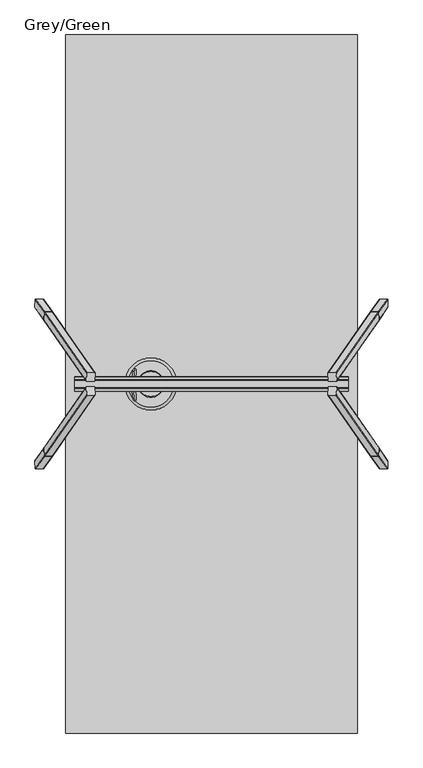
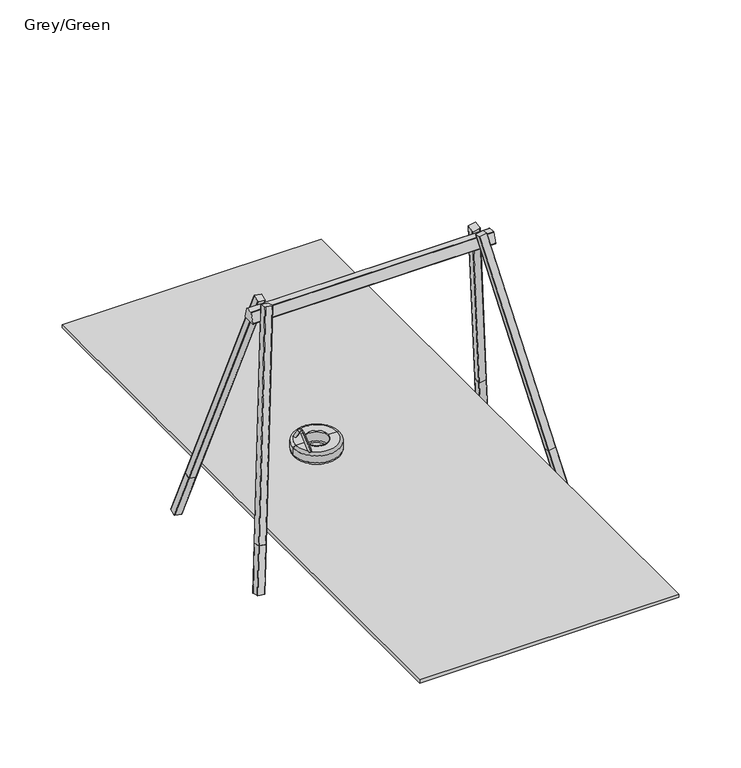
"""IFC4 building model written with IfcOpenShell, lengths in millimetres: furniture geometry, Grey/Green."""

import ifcopenshell
import ifcopenshell.guid

model = None  # the IFC model being written
_history = None  # IfcOwnerHistory: only IFC2X3 demands one
_inside = {}  # id of a spatial element -> (the spatial element, [elements in it])
_under = {}  # id of a project, library or spatial element -> (it, [spatial elements below it])
_declared = {}  # id of a project -> (the project, [libraries it declares])
_typed = {}  # id of a type object -> (the type object, [elements of that type])
_made_of = {}  # id of a material, layer set ... -> (it, [elements and type objects made of it])


def new_model(schema):
    """Start an empty IFC model of exactly this schema.

    Asked for "IFC4X3", IfcOpenShell would pick the latest addendum, in which some entities
    have other attributes; the version numbers below select the first issue.
    IFC2X3 requires an IfcOwnerHistory on every rooted entity: one is made here for all.
    """
    global model, _history
    if schema == "IFC4X3":
        model = ifcopenshell.file(schema_version=(4, 3, 0, 0))
    else:
        model = ifcopenshell.file(schema=schema)
    _inside.clear()
    _under.clear()
    _declared.clear()
    _typed.clear()
    _made_of.clear()
    _history = None
    if model.schema == "IFC2X3":
        org = make("IfcOrganization", Name="unknown")
        user = make(
            "IfcPersonAndOrganization",
            ThePerson=make("IfcPerson", FamilyName="unknown"),
            TheOrganization=org,
        )
        app = make(
            "IfcApplication",
            ApplicationDeveloper=org,
            Version="unknown",
            ApplicationFullName="unknown",
            ApplicationIdentifier="unknown",
        )
        _history = make(
            "IfcOwnerHistory",
            OwningUser=user,
            OwningApplication=app,
            ChangeAction="ADDED",
            CreationDate=0,
        )
    return model


def make(cls, **values):
    """One entity of the class cls with the attributes given. An attribute that is None is left unset."""
    return model.create_entity(
        cls, **{name: value for name, value in values.items() if value is not None}
    )


def rooted(cls, **values):
    """An entity with a GlobalId (a new one), such as an element, a storey or a relation."""
    return make(cls, GlobalId=ifcopenshell.guid.new(), OwnerHistory=_history, **values)


def si_unit(unit_type, name, prefix=None):
    """IfcSIUnit, for example si_unit("LENGTHUNIT", "METRE", prefix="MILLI")."""
    return make("IfcSIUnit", UnitType=unit_type, Prefix=prefix, Name=name)


def assignment(units):
    """IfcUnitAssignment: the units of a project."""
    return None if units is None else make("IfcUnitAssignment", Units=units)


def point(xyz):
    """IfcCartesianPoint."""
    return None if xyz is None else make("IfcCartesianPoint", Coordinates=xyz)


def direction(xyz):
    """IfcDirection."""
    return None if xyz is None else make("IfcDirection", DirectionRatios=xyz)


def frame(location, z_axis=None, x_axis=None):
    """IfcAxis2Placement3D, a coordinate frame: its origin and axes. An axis left out is left unset."""
    return make(
        "IfcAxis2Placement3D",
        Location=point(location),
        Axis=direction(z_axis),
        RefDirection=direction(x_axis),
    )


def frame_2d(location, x_axis=None):
    """IfcAxis2Placement2D, a coordinate frame in the plane: its origin and x axis."""
    return make(
        "IfcAxis2Placement2D", Location=point(location), RefDirection=direction(x_axis)
    )


def origin():
    """The frame at (0, 0, 0) with its axes left unset."""
    return frame((0.0, 0.0, 0.0))


def place(relative_to, where):
    """IfcLocalPlacement: puts the frame where relative to a parent placement (None: the world)."""
    return make(
        "IfcLocalPlacement", PlacementRelTo=relative_to, RelativePlacement=where
    )


def context(
    kind, dimensions, precision=None, world=None, true_north=None, identifier=None
):
    """IfcGeometricRepresentationContext, for example the 3D "Model" context."""
    return make(
        "IfcGeometricRepresentationContext",
        ContextIdentifier=identifier,
        ContextType=kind,
        CoordinateSpaceDimension=dimensions,
        Precision=precision,
        WorldCoordinateSystem=world,
        TrueNorth=true_north,
    )


def project(units=None, contexts=None):
    """IfcProject with its units and contexts."""
    return rooted(
        "IfcProject",
        Name="project",
        RepresentationContexts=contexts,
        UnitsInContext=assignment(units),
    )


def spatial(cls, under=None, at=None, **own):
    """A site, building, storey or space (cls), placed at a placement, below another one or the project."""
    s = rooted(cls, ObjectPlacement=at, **own)
    if under is not None:
        _under.setdefault(under.id(), (under, []))[1].append(s)
    return s


def polyline(points):
    """IfcPolyline through the points."""
    return make("IfcPolyline", Points=[point(p) for p in points])


def circle_curve(where, radius):
    """IfcCircle in the frame where."""
    return make("IfcCircle", Position=where, Radius=radius)


def ellipse_curve(where, semi_axis1, semi_axis2):
    """IfcEllipse in the frame where."""
    return make(
        "IfcEllipse", Position=where, SemiAxis1=semi_axis1, SemiAxis2=semi_axis2
    )


def trimmed(basis, trim1, trim2, sense, master):
    """IfcTrimmedCurve: the piece of a basis curve between two trims."""
    return make(
        "IfcTrimmedCurve",
        BasisCurve=basis,
        Trim1=trim1,
        Trim2=trim2,
        SenseAgreement=sense,
        MasterRepresentation=master,
    )


def segment(curve, same_sense, transition):
    """IfcCompositeCurveSegment."""
    return make(
        "IfcCompositeCurveSegment",
        Transition=transition,
        SameSense=same_sense,
        ParentCurve=curve,
    )


def composite_curve(segments, self_intersect=None):
    """IfcCompositeCurve: segments joined end to end."""
    return make("IfcCompositeCurve", Segments=segments, SelfIntersect=self_intersect)


def outline(outer, holes=None, kind="AREA"):
    """IfcArbitraryClosedProfileDef: a profile drawn as a closed curve; with holes, ...WithVoids."""
    if holes is None:
        return make("IfcArbitraryClosedProfileDef", ProfileType=kind, OuterCurve=outer)
    return make(
        "IfcArbitraryProfileDefWithVoids",
        ProfileType=kind,
        OuterCurve=outer,
        InnerCurves=holes,
    )


def extrude(swept, where, along, depth):
    """IfcExtrudedAreaSolid: the profile swept, set in the frame where, extruded along a direction by depth."""
    return make(
        "IfcExtrudedAreaSolid",
        SweptArea=swept,
        Position=where,
        ExtrudedDirection=direction(along),
        Depth=depth,
    )


def shape(context_of_items, identifier, shape_type, items):
    """IfcShapeRepresentation: the items that make up one representation, for example the "Body"."""
    return make(
        "IfcShapeRepresentation",
        ContextOfItems=context_of_items,
        RepresentationIdentifier=identifier,
        RepresentationType=shape_type,
        Items=items,
    )


def source(mapping_origin, context_of_items, identifier, shape_type, items):
    """IfcRepresentationMap: a shape defined once, which mapped items show again and again."""
    return make(
        "IfcRepresentationMap",
        MappingOrigin=mapping_origin,
        MappedRepresentation=shape(context_of_items, identifier, shape_type, items),
    )


def transform(
    local_origin,
    x_axis=None,
    y_axis=None,
    z_axis=None,
    scale=None,
    scale2=None,
    scale3=None,
    uniform=True,
):
    """IfcCartesianTransformationOperator3D, or its non-uniform kind. x_axis, y_axis, z_axis: its Axis1, 2, 3."""
    if uniform:
        return make(
            "IfcCartesianTransformationOperator3D",
            Axis1=direction(x_axis),
            Axis2=direction(y_axis),
            LocalOrigin=point(local_origin),
            Scale=scale,
            Axis3=direction(z_axis),
        )
    return make(
        "IfcCartesianTransformationOperator3DnonUniform",
        Axis1=direction(x_axis),
        Axis2=direction(y_axis),
        LocalOrigin=point(local_origin),
        Scale=scale,
        Axis3=direction(z_axis),
        Scale2=scale2,
        Scale3=scale3,
    )


def mapped(mapping_source, mapping_target):
    """IfcMappedItem: shows the shape of a source again, moved by a transform."""
    return make(
        "IfcMappedItem", MappingSource=mapping_source, MappingTarget=mapping_target
    )


def made_of(thing, what):
    """Note that an element or type object is made of a material, layer set ...; save() writes the relation."""
    if what is not None:
        _made_of.setdefault(what.id(), (what, []))[1].append(thing)
    return thing


def element(
    cls,
    number,
    at=None,
    inside=None,
    cuts=None,
    type_object=None,
    material=None,
    context=None,
    identifier="Body",
    shape_type=None,
    held_by="IfcProductDefinitionShape",
    body=None,
    shapes=None,
    **own,
):
    """One element of the class cls, such as IfcWall. Its Tag is "e" and its number.

    at: its placement. inside: the storey or other place that contains it. cuts: it is an
    opening in that element (IfcRelVoidsElement). A single representation is given by context,
    identifier, shape_type and body (its items); several are given by shapes. held_by: the class
    of the entity that holds the representations. save() writes the other relations.
    """
    e = rooted(cls, Tag="e%d" % number, ObjectPlacement=at, **own)
    if body is not None:
        shapes = [shape(context, identifier, shape_type, body)]
    if shapes is not None:
        e.Representation = make(held_by, Representations=shapes)
    if inside is not None:
        _inside.setdefault(inside.id(), (inside, []))[1].append(e)
    if cuts is not None:
        rooted(
            "IfcRelVoidsElement", RelatingBuildingElement=cuts, RelatedOpeningElement=e
        )
    if type_object is not None:
        _typed.setdefault(type_object.id(), (type_object, []))[1].append(e)
    return made_of(e, material)


def aggregate(whole, parts):
    """IfcRelAggregates: a whole, such as a stair, and the parts it consists of."""
    return rooted("IfcRelAggregates", RelatingObject=whole, RelatedObjects=parts)


def save(model, path):
    """Write the relations noted so far, then the file.

    IfcRelAggregates (storeys below a building ...), IfcRelContainedInSpatialStructure (elements
    in a storey), IfcRelDefinesByType, IfcRelAssociatesMaterial and IfcRelDeclares: one each for
    every whole, place, type object, material and project.
    """
    for whole, parts in _under.values():
        aggregate(whole, parts)
    for where, things in _inside.values():
        rooted(
            "IfcRelContainedInSpatialStructure",
            RelatedElements=things,
            RelatingStructure=where,
        )
    for kind, things in _typed.values():
        rooted("IfcRelDefinesByType", RelatedObjects=things, RelatingType=kind)
    for what, things in _made_of.values():
        rooted("IfcRelAssociatesMaterial", RelatedObjects=things, RelatingMaterial=what)
    for by, libraries in _declared.values():
        rooted("IfcRelDeclares", RelatingContext=by, RelatedDefinitions=libraries)
    model.write(path)


def plane_surface(at):
    """IfcPlane: the flat surface through the origin of the frame at, square to its z axis."""
    return make("IfcPlane", Position=at)


def cylinder_surface(at, radius):
    """IfcCylindricalSurface: all points at the distance radius from the z axis of the frame at."""
    return make("IfcCylindricalSurface", Position=at, Radius=radius)


def revolved_surface(curve, axis_point, axis_direction):
    """IfcSurfaceOfRevolution: the curve turned about the line through axis_point along axis_direction."""
    return make(
        "IfcSurfaceOfRevolution",
        SweptCurve=make("IfcArbitraryOpenProfileDef", ProfileType="CURVE", Curve=curve),
        AxisPosition=make("IfcAxis1Placement", Location=point(axis_point), Axis=direction(axis_direction)),
    )


def advanced_brep(points, edges, surfaces, faces):
    """IfcAdvancedBrep: a solid bounded by faces that lie on surfaces and meet in shared edges.

    An edge is (start, end): straight between two places in points (the first is 0);
    or (start, end, curve); or (start, end, curve, False) where it runs against its curve.
    A face is (place in surfaces, loops), or (place, loops, False) where it looks against
    its surface's normal. A loop lists edges by number (the first is 1), with a minus sign
    where the edge is run from its end to its start. The first loop is the outer one.
    """
    corners = [point(p) for p in points]
    vertices = [make("IfcVertexPoint", VertexGeometry=c) for c in corners]
    made = []
    for start, end, *more in edges:
        made.append(
            make(
                "IfcEdgeCurve",
                EdgeStart=vertices[start],
                EdgeEnd=vertices[end],
                EdgeGeometry=more[0] if more else make("IfcPolyline", Points=[corners[start], corners[end]]),
                SameSense=more[1] if len(more) > 1 else True,
            )
        )
    hull = []
    for where, loops, *sense in faces:
        bounds = []
        for j, loop in enumerate(loops):
            ring = [make("IfcOrientedEdge", EdgeElement=made[abs(k) - 1], Orientation=k > 0) for k in loop]
            bounds.append(
                make(
                    "IfcFaceOuterBound" if j == 0 else "IfcFaceBound",
                    Bound=make("IfcEdgeLoop", EdgeList=ring),
                    Orientation=True,
                )
            )
        hull.append(make("IfcAdvancedFace", Bounds=bounds, FaceSurface=surfaces[where], SameSense=sense[0] if sense else True))
    return make("IfcAdvancedBrep", Outer=make("IfcClosedShell", CfsFaces=hull))


def grey_green_14047766(model_context):
    return source(origin(), model_context, "Body", "SolidModel", [
        advanced_brep(
        [(-840.9564414, 142.8352389, 487.8799535), (-842.8447003, 171.5861173, 509.4628511), (-854.8775756, 22.4722343, 646.9992456), (-856.7658345, 51.2231127, 668.5821433), (-840.5270878, -161.4568254, 482.9724192), (-842.585543, -188.6263703, 506.5006701), (-857.0565433, -44.2933839, 671.9049602), (-854.9980881, -17.123839, 648.3767093)],
        [
            (0, 1, circle_curve(frame((-841.9005708, 157.2106781, 498.6714023), z_axis=(0.06960567106282514, 0.6018150231520504, -0.7955964608169089), x_axis=(-0.052451635339515044, 0.7986355100472914, 0.5995249352960337)), 18.0)),
            (1, 0, circle_curve(frame((-841.9005708, 157.2106781, 498.6714023), z_axis=(0.06960567106282514, 0.6018150231520504, -0.7955964608169089), x_axis=(-0.052451635339515044, 0.7986355100472914, 0.5995249352960337)), 18.0)),
            (0, 2),
            (2, 3, circle_curve(frame((-855.821705, 36.8476735, 657.7906945), z_axis=(0.06960567106282514, 0.6018150231520504, -0.7955964608169089), x_axis=(-0.052451635339515044, 0.7986355100472914, 0.5995249352960337)), 18.0)),
            (3, 1),
            (3, 2, circle_curve(frame((-855.821705, 36.8476735, 657.7906945), z_axis=(0.06960567106282514, 0.6018150231520504, -0.7955964608169089), x_axis=(-0.052451635339515044, 0.7986355100472914, 0.5995249352960337)), 18.0)),
            (4, 5, circle_curve(frame((-841.5563154, -175.0415979, 494.7365446), z_axis=(0.06577727402308613, -0.6560590289905281, -0.7518376824169546), x_axis=(-0.05717931195797577, -0.754709580222754, 0.653562526315583)), 18.0)),
            (5, 4, circle_curve(frame((-841.5563154, -175.0415979, 494.7365446), z_axis=(0.06577727402308613, -0.6560590289905281, -0.7518376824169546), x_axis=(-0.05717931195797577, -0.754709580222754, 0.653562526315583)), 18.0)),
            (6, 7, circle_curve(frame((-856.0273157, -30.7086115, 660.1408348), z_axis=(0.06577727402308613, -0.6560590289905281, -0.7518376824169546), x_axis=(-0.05717931195797577, -0.754709580222754, 0.653562526315583)), 18.0)),
            (7, 4),
            (5, 6),
            (7, 6, circle_curve(frame((-856.0273157, -30.7086115, 660.1408348), z_axis=(0.06577727402308613, -0.6560590289905281, -0.7518376824169546), x_axis=(-0.05717931195797577, -0.754709580222754, 0.653562526315583)), 18.0)),
            (6, 3, circle_curve(frame((-853.5405393, 2.1143432, 631.7168506), z_axis=(-0.9961946980917457, 0.0, -0.08715574274765649), x_axis=(-0.05245163533951502, 0.7986355100472914, 0.5995249352960336)), 61.4908414)),
            (2, 7, circle_curve(frame((-853.5405393, 2.1143432, 631.7168506), z_axis=(0.9961946980917457, 0.0, 0.08715574274765649), x_axis=(-0.05245163533951502, 0.7986355100472914, 0.5995249352960336)), 25.4908414)),
        ],
        [
            plane_surface(frame((-841.9005708, 157.2106781, 498.6714023), z_axis=(0.06960567106282513, 0.6018150231520503, -0.7955964608169087), x_axis=(-0.9961946980917457, 0.0, -0.08715574274765646))),
            cylinder_surface(frame((-841.9005708, 157.2106781, 498.6714023), z_axis=(0.06960567106282513, 0.6018150231520503, -0.7955964608169087), x_axis=(-0.052451635339515044, 0.7986355100472914, 0.5995249352960337)), 18.0),
            plane_surface(frame((-841.5563154, -175.0415979, 494.7365446), z_axis=(0.06577727402308613, -0.6560590289905281, -0.7518376824169546), x_axis=(-0.9961946980917457, 0.0, -0.08715574274765645))),
            cylinder_surface(frame((-856.0273157, -30.7086115, 660.1408348), z_axis=(-0.06577727402308613, 0.6560590289905281, 0.7518376824169546), x_axis=(-0.05717931195797577, -0.754709580222754, 0.653562526315583)), 18.0),
            revolved_surface(trimmed(ellipse_curve(frame((-855.821705, 36.8476735, 657.7906945), z_axis=(0.0696056710628252, 0.6018150231520499, -0.7955964608169088), x_axis=(-0.05245163533951503, 0.7986355100472915, 0.5995249352960333)), 18.0, 18.0), [point((-854.8775756, 22.4722343, 646.9992456))], [point((-856.7658345, 51.2231127, 668.5821433))], True, "CARTESIAN"), (-853.5405393, 2.1143432, 631.7168506), (0.9961946980917457, 0.0, 0.08715574274765649)),
            revolved_surface(trimmed(ellipse_curve(frame((-855.821705, 36.8476735, 657.7906945), z_axis=(0.0696056710628252, 0.6018150231520499, -0.7955964608169088), x_axis=(-0.05245163533951503, 0.7986355100472915, 0.5995249352960333)), 18.0, 18.0), [point((-856.7658345, 51.2231127, 668.5821433))], [point((-854.8775756, 22.4722343, 646.9992456))], True, "CARTESIAN"), (-853.5405393, 2.1143432, 631.7168506), (0.9961946980917457, 0.0, 0.08715574274765649)),
        ],
        [
            (0, [[1, 2]]),
            (1, [[-1, 3, 4, 5]]),
            (1, [[-2, -5, 6, -3]]),
            (2, [[7, 8]]),
            (3, [[9, 10, -8, 11]]),
            (3, [[12, -11, -7, -10]]),
            (4, [[13, -4, 14, -9]]),
            (5, [[-14, -6, -13, -12]]),
        ],
    ),
        advanced_brep(
        [(-950.6834754, 0.0, 390.0), (-379.3165246, 0.0, 390.0), (-409.3165246, 0.0, 360.0), (-920.6834754, 0.0, 360.0), (-920.6834754, 0.0, 510.0), (-409.3165246, 0.0, 510.0), (-379.3165246, 0.0, 480.0), (-950.6834754, 0.0, 480.0), (-810.0, 0.0, 510.0), (-520.0, 0.0, 510.0), (-810.0, 0.0, 500.0), (-520.0, 0.0, 500.0), (-810.0, 0.0, 360.0), (-520.0, 0.0, 360.0), (-520.0, 0.0, 375.0), (-810.0, 0.0, 375.0)],
        [
            (0, 1, circle_curve(frame((-665.0, 0.0, 390.0), z_axis=(0.0, 0.0, -1.0), x_axis=(1.0, 0.0, 0.0)), 285.6834754)),
            (1, 2, circle_curve(frame((-409.3165246, 0.0, 390.0), z_axis=(0.0, 1.0, 0.0), x_axis=(1.0, 0.0, 0.0)), 30.0)),
            (2, 3, circle_curve(frame((-665.0, 0.0, 360.0), z_axis=(0.0, 0.0, 1.0), x_axis=(1.0, 0.0, 0.0)), 255.6834754)),
            (3, 0, circle_curve(frame((-920.6834754, 0.0, 390.0), z_axis=(0.0, 1.0, 0.0), x_axis=(-1.0, 0.0, 0.0)), 30.0)),
            (1, 0, circle_curve(frame((-665.0, 0.0, 390.0), z_axis=(0.0, 0.0, -1.0), x_axis=(1.0, 0.0, 0.0)), 285.6834754)),
            (3, 2, circle_curve(frame((-665.0, 0.0, 360.0), z_axis=(0.0, 0.0, 1.0), x_axis=(1.0, 0.0, 0.0)), 255.6834754)),
            (4, 5, circle_curve(frame((-665.0, 0.0, 510.0), z_axis=(0.0, 0.0, -1.0), x_axis=(1.0, 0.0, 0.0)), 255.6834754)),
            (5, 6, circle_curve(frame((-409.3165246, 0.0, 480.0), z_axis=(0.0, 1.0, 0.0), x_axis=(1.0, 0.0, 0.0)), 30.0)),
            (6, 7, circle_curve(frame((-665.0, 0.0, 480.0), z_axis=(0.0, 0.0, 1.0), x_axis=(1.0, 0.0, 0.0)), 285.6834754)),
            (7, 4, circle_curve(frame((-920.6834754, 0.0, 480.0), z_axis=(0.0, 1.0, 0.0), x_axis=(-1.0, 0.0, 0.0)), 30.0)),
            (5, 4, circle_curve(frame((-665.0, 0.0, 510.0), z_axis=(0.0, 0.0, -1.0), x_axis=(1.0, 0.0, 0.0)), 255.6834754)),
            (7, 6, circle_curve(frame((-665.0, 0.0, 480.0), z_axis=(0.0, 0.0, 1.0), x_axis=(1.0, 0.0, 0.0)), 285.6834754)),
            (8, 9, circle_curve(frame((-665.0, 0.0, 510.0), z_axis=(0.0, 0.0, -1.0), x_axis=(1.0, 0.0, 0.0)), 145.0)),
            (9, 5),
            (4, 8),
            (9, 8, circle_curve(frame((-665.0, 0.0, 510.0), z_axis=(0.0, 0.0, -1.0), x_axis=(1.0, 0.0, 0.0)), 145.0)),
            (10, 11, circle_curve(frame((-665.0, 0.0, 500.0), z_axis=(0.0, 0.0, -1.0), x_axis=(1.0, 0.0, 0.0)), 145.0)),
            (11, 9, circle_curve(frame((-520.0, 0.0, 505.0), z_axis=(0.0, 1.0, 0.0), x_axis=(1.0, 0.0, 0.0)), 5.0)),
            (8, 10, circle_curve(frame((-810.0, 0.0, 505.0), z_axis=(0.0, 1.0, 0.0), x_axis=(-1.0, 0.0, 0.0)), 5.0)),
            (11, 10, circle_curve(frame((-665.0, 0.0, 500.0), z_axis=(0.0, 0.0, -1.0), x_axis=(1.0, 0.0, 0.0)), 145.0)),
            (12, 13, circle_curve(frame((-665.0, 0.0, 360.0), z_axis=(0.0, 0.0, -1.0), x_axis=(1.0, 0.0, 0.0)), 145.0)),
            (13, 14, circle_curve(frame((-516.1749585, 0.0, 367.5), z_axis=(0.0, 1.0, 0.0), x_axis=(1.0, 0.0, 0.0)), 8.4190821)),
            (14, 15, circle_curve(frame((-665.0, 0.0, 375.0), z_axis=(0.0, 0.0, 1.0), x_axis=(1.0, 0.0, 0.0)), 145.0)),
            (15, 12, circle_curve(frame((-813.8250415, 0.0, 367.5), z_axis=(0.0, 1.0, 0.0), x_axis=(-1.0, 0.0, 0.0)), 8.4190821)),
            (13, 12, circle_curve(frame((-665.0, 0.0, 360.0), z_axis=(0.0, 0.0, -1.0), x_axis=(1.0, 0.0, 0.0)), 145.0)),
            (15, 14, circle_curve(frame((-665.0, 0.0, 375.0), z_axis=(0.0, 0.0, 1.0), x_axis=(1.0, 0.0, 0.0)), 145.0)),
            (2, 13),
            (12, 3),
            (6, 1),
            (0, 7),
            (14, 11, circle_curve(frame((-520.0, 0.0, 437.5), z_axis=(0.0, -1.0, 0.0), x_axis=(-1.0, 0.0, 0.0)), 62.5)),
            (10, 15, circle_curve(frame((-810.0, 0.0, 437.5), z_axis=(0.0, -1.0, 0.0), x_axis=(1.0, 0.0, 0.0)), 62.5)),
        ],
        [
            revolved_surface(trimmed(ellipse_curve(frame((-409.3165246, 0.0, 390.0), z_axis=(0.0, -1.0, 0.0), x_axis=(1.0, 0.0, 0.0)), 30.0, 30.0), [point((-409.3165246, 0.0, 360.0))], [point((-379.3165246, 0.0, 390.0))], True, "CARTESIAN"), (-665.0, 0.0, 2969.0581012), (0.0, 0.0, 1.0)),
            revolved_surface(trimmed(ellipse_curve(frame((-409.3165246, 0.0, 480.0), z_axis=(0.0, -1.0, 0.0), x_axis=(1.0, 0.0, 0.0)), 30.0, 30.0), [point((-379.3165246, 0.0, 480.0))], [point((-409.3165246, 0.0, 510.0))], True, "CARTESIAN"), (-665.0, 0.0, 2969.0581012), (0.0, 0.0, 1.0)),
            plane_surface(frame((-665.0, 0.0, 510.0), z_axis=(0.0, 0.0, 1.0), x_axis=(1.0, 0.0, 0.0))),
            revolved_surface(trimmed(ellipse_curve(frame((-520.0, 0.0, 505.0), z_axis=(0.0, -1.0, 0.0), x_axis=(1.0, 0.0, 0.0)), 5.0, 5.0), [point((-520.0, 0.0, 510.0))], [point((-520.0, 0.0, 500.0))], True, "CARTESIAN"), (-665.0, 0.0, 2969.0581012), (0.0, 0.0, 1.0)),
            revolved_surface(trimmed(ellipse_curve(frame((-516.1749585, 0.0, 367.5), z_axis=(0.0, -1.0, 0.0), x_axis=(1.0, 0.0, 0.0)), 8.4190821, 8.4190821), [point((-520.0, 0.0, 375.0))], [point((-520.0, 0.0, 360.0))], True, "CARTESIAN"), (-665.0, 0.0, 2969.0581012), (0.0, 0.0, 1.0)),
            plane_surface(frame((-665.0, 0.0, 360.0), z_axis=(0.0, 0.0, -1.0), x_axis=(1.0, 0.0, 0.0))),
            cylinder_surface(frame((-665.0, 0.0, 2969.0581012), z_axis=(0.0, 0.0, 1.0), x_axis=(1.0, 0.0, 0.0)), 285.6834754),
            revolved_surface(trimmed(ellipse_curve(frame((-520.0, 0.0, 437.5), z_axis=(0.0, 1.0, 0.0), x_axis=(-1.0, 0.0, 0.0)), 62.5, 62.5), [point((-520.0, 0.0, 500.0))], [point((-520.0, 0.0, 375.0))], True, "CARTESIAN"), (-665.0, 0.0, 2969.0581012), (0.0, 0.0, 1.0)),
        ],
        [
            (0, [[1, 2, 3, 4]]),
            (0, [[5, -4, 6, -2]]),
            (1, [[7, 8, 9, 10]]),
            (1, [[11, -10, 12, -8]]),
            (2, [[13, 14, -7, 15]]),
            (2, [[16, -15, -11, -14]]),
            (3, [[17, 18, -13, 19]]),
            (3, [[20, -19, -16, -18]]),
            (4, [[21, 22, 23, 24]]),
            (4, [[25, -24, 26, -22]]),
            (5, [[-3, 27, -21, 28]]),
            (5, [[-6, -28, -25, -27]]),
            (6, [[-9, 29, -1, 30]]),
            (6, [[-12, -30, -5, -29]]),
            (7, [[-23, 31, -17, 32]]),
            (7, [[-26, -32, -20, -31]]),
        ],
    ),
        extrude(outline(composite_curve([segment(polyline([(-37.576483, -90.0), (-37.576483, -5.0)]), True, "CONTINUOUS"), segment(trimmed(circle_curve(frame_2d((-32.5764831, -5.0000001)), 5.0), [point((-37.576483, -5.0))], [point((-32.5764831, 0.0))], False, "CARTESIAN"), True, "CONTINUOUS"), segment(polyline([(-32.5764831, 0.0), (52.423517, 0.0)]), True, "CONTINUOUS"), segment(trimmed(circle_curve(frame_2d((52.423517, -5.0000001)), 5.0), [point((52.423517, 0.0))], [point((57.4235169, -5.0000001))], False, "CARTESIAN"), True, "CONTINUOUS"), segment(polyline([(57.4235169, -5.0000001), (57.423517, -90.0)]), True, "CONTINUOUS"), segment(trimmed(circle_curve(frame_2d((52.423517, -90.0)), 5.0), [point((57.423517, -90.0))], [point((52.423517, -95.0))], False, "CARTESIAN"), True, "CONTINUOUS"), segment(polyline([(52.423517, -95.0), (-32.5764831, -95.0)]), True, "CONTINUOUS"), segment(trimmed(circle_curve(frame_2d((-32.576483, -90.0)), 5.0), [point((-32.5764831, -95.0))], [point((-37.576483, -90.0))], False, "CARTESIAN"), True, "CONTINUOUS")], self_intersect=False)), frame((1881.0135283, -838.9365244, -569.0672306), z_axis=(-0.17396165925896223, 0.24987304883695344, 0.9525233858403658), x_axis=(0.9837286289495357, 0.0, 0.17966074859319375)), (0.0, 0.0, 1.0), 560.0),
        extrude(outline(composite_curve([segment(polyline([(549.3354975, 15.6129077), (549.3354976, -69.3870923)]), True, "CONTINUOUS"), segment(trimmed(circle_curve(frame_2d((544.3354976, -69.3870923)), 5.0), [point((549.3354976, -69.3870923))], [point((544.3354976, -74.3870923))], False, "CARTESIAN"), True, "CONTINUOUS"), segment(polyline([(544.3354976, -74.3870923), (459.3354976, -74.3870923)]), True, "CONTINUOUS"), segment(trimmed(circle_curve(frame_2d((459.3354976, -69.3870923)), 5.0), [point((459.3354976, -74.3870923))], [point((454.3354976, -69.3870923))], False, "CARTESIAN"), True, "CONTINUOUS"), segment(polyline([(454.3354976, -69.3870923), (454.3354976, 15.6129077)]), True, "CONTINUOUS"), segment(trimmed(circle_curve(frame_2d((459.3354976, 15.6129077)), 5.0), [point((454.3354976, 15.6129077))], [point((459.3354976, 20.6129076))], False, "CARTESIAN"), True, "CONTINUOUS"), segment(polyline([(459.3354976, 20.6129076), (544.3354976, 20.6129077)]), True, "CONTINUOUS"), segment(trimmed(circle_curve(frame_2d((544.3354976, 15.6129077)), 5.0), [point((544.3354976, 20.6129077))], [point((549.3354975, 15.6129077))], False, "CARTESIAN"), True, "CONTINUOUS")], self_intersect=False)), frame((1298.7617384, -718.9666546, -118.9646067), z_axis=(-0.1739616592589606, 0.24987304883695416, 0.9525233858403659), x_axis=(0.9837286289495357, 0.0, 0.1796607485931937)), (0.0, 0.0, 1.0), 2680.0),
        extrude(outline(composite_curve([segment(trimmed(circle_curve(frame_2d((-32.576483, 90.0)), 5.0), [point((-37.576483, 90.0))], [point((-32.5764831, 95.0))], False, "CARTESIAN"), True, "CONTINUOUS"), segment(polyline([(-32.5764831, 95.0), (52.423517, 95.0)]), True, "CONTINUOUS"), segment(trimmed(circle_curve(frame_2d((52.423517, 90.0)), 5.0), [point((52.423517, 95.0))], [point((57.423517, 90.0))], False, "CARTESIAN"), True, "CONTINUOUS"), segment(polyline([(57.423517, 90.0), (57.4235169, 5.0000001)]), True, "CONTINUOUS"), segment(trimmed(circle_curve(frame_2d((52.423517, 5.0000001)), 5.0), [point((57.4235169, 5.0000001))], [point((52.423517, 0.0))], False, "CARTESIAN"), True, "CONTINUOUS"), segment(polyline([(52.423517, 0.0), (-32.5764831, 0.0)]), True, "CONTINUOUS"), segment(trimmed(circle_curve(frame_2d((-32.5764831, 5.0000001)), 5.0), [point((-32.5764831, 0.0))], [point((-37.576483, 5.0))], False, "CARTESIAN"), True, "CONTINUOUS"), segment(polyline([(-37.576483, 5.0), (-37.576483, 90.0)]), True, "CONTINUOUS")], self_intersect=False)), frame((1881.0135283, 838.9365244, -569.0672306), z_axis=(-0.17396165925896223, -0.24987304883695344, 0.9525233858403658), x_axis=(0.9837286289495357, 0.0, 0.17966074859319375)), (0.0, 0.0, 1.0), 560.0),
        extrude(outline(composite_curve([segment(trimmed(circle_curve(frame_2d((544.3354976, -15.6129077)), 5.0), [point((549.3354975, -15.6129077))], [point((544.3354976, -20.6129077))], False, "CARTESIAN"), True, "CONTINUOUS"), segment(polyline([(544.3354976, -20.6129077), (459.3354976, -20.6129076)]), True, "CONTINUOUS"), segment(trimmed(circle_curve(frame_2d((459.3354976, -15.6129077)), 5.0), [point((459.3354976, -20.6129076))], [point((454.3354976, -15.6129077))], False, "CARTESIAN"), True, "CONTINUOUS"), segment(polyline([(454.3354976, -15.6129077), (454.3354976, 69.3870923)]), True, "CONTINUOUS"), segment(trimmed(circle_curve(frame_2d((459.3354976, 69.3870923)), 5.0), [point((454.3354976, 69.3870923))], [point((459.3354976, 74.3870923))], False, "CARTESIAN"), True, "CONTINUOUS"), segment(polyline([(459.3354976, 74.3870923), (544.3354976, 74.3870923)]), True, "CONTINUOUS"), segment(trimmed(circle_curve(frame_2d((544.3354976, 69.3870923)), 5.0), [point((544.3354976, 74.3870923))], [point((549.3354976, 69.3870923))], False, "CARTESIAN"), True, "CONTINUOUS"), segment(polyline([(549.3354976, 69.3870923), (549.3354975, -15.6129077)]), True, "CONTINUOUS")], self_intersect=False)), frame((1298.7617384, 718.9666546, -118.9646067), z_axis=(-0.1739616592589606, -0.24987304883695416, 0.9525233858403659), x_axis=(0.9837286289495357, 0.0, 0.1796607485931937)), (0.0, 0.0, 1.0), 2680.0),
        extrude(outline(composite_curve([segment(polyline([(-37.576483, -90.0), (-37.576483, -5.0)]), True, "CONTINUOUS"), segment(trimmed(circle_curve(frame_2d((-32.5764831, -5.0000001)), 5.0), [point((-37.576483, -5.0))], [point((-32.5764831, 0.0))], False, "CARTESIAN"), True, "CONTINUOUS"), segment(polyline([(-32.5764831, 0.0), (52.423517, 0.0)]), True, "CONTINUOUS"), segment(trimmed(circle_curve(frame_2d((52.423517, -5.0000001)), 5.0), [point((52.423517, 0.0))], [point((57.4235169, -5.0000001))], False, "CARTESIAN"), True, "CONTINUOUS"), segment(polyline([(57.4235169, -5.0000001), (57.423517, -90.0)]), True, "CONTINUOUS"), segment(trimmed(circle_curve(frame_2d((52.423517, -90.0)), 5.0), [point((57.423517, -90.0))], [point((52.423517, -95.0))], False, "CARTESIAN"), True, "CONTINUOUS"), segment(polyline([(52.423517, -95.0), (-32.5764831, -95.0)]), True, "CONTINUOUS"), segment(trimmed(circle_curve(frame_2d((-32.576483, -90.0)), 5.0), [point((-32.5764831, -95.0))], [point((-37.576483, -90.0))], False, "CARTESIAN"), True, "CONTINUOUS")], self_intersect=False)), frame((-1881.0135283, 838.9365244, -569.0672306), z_axis=(0.17396165925896223, -0.24987304883695344, 0.9525233858403658), x_axis=(-0.9837286289495357, 0.0, 0.17966074859319375)), (0.0, 0.0, 1.0), 560.0),
        extrude(outline(composite_curve([segment(polyline([(549.3354975, 15.6129077), (549.3354976, -69.3870923)]), True, "CONTINUOUS"), segment(trimmed(circle_curve(frame_2d((544.3354976, -69.3870923)), 5.0), [point((549.3354976, -69.3870923))], [point((544.3354976, -74.3870923))], False, "CARTESIAN"), True, "CONTINUOUS"), segment(polyline([(544.3354976, -74.3870923), (459.3354976, -74.3870923)]), True, "CONTINUOUS"), segment(trimmed(circle_curve(frame_2d((459.3354976, -69.3870923)), 5.0), [point((459.3354976, -74.3870923))], [point((454.3354976, -69.3870923))], False, "CARTESIAN"), True, "CONTINUOUS"), segment(polyline([(454.3354976, -69.3870923), (454.3354976, 15.6129077)]), True, "CONTINUOUS"), segment(trimmed(circle_curve(frame_2d((459.3354976, 15.6129077)), 5.0), [point((454.3354976, 15.6129077))], [point((459.3354976, 20.6129076))], False, "CARTESIAN"), True, "CONTINUOUS"), segment(polyline([(459.3354976, 20.6129076), (544.3354976, 20.6129077)]), True, "CONTINUOUS"), segment(trimmed(circle_curve(frame_2d((544.3354976, 15.6129077)), 5.0), [point((544.3354976, 20.6129077))], [point((549.3354975, 15.6129077))], False, "CARTESIAN"), True, "CONTINUOUS")], self_intersect=False)), frame((-1298.7617384, 718.9666546, -118.9646067), z_axis=(0.1739616592589606, -0.24987304883695416, 0.9525233858403659), x_axis=(-0.9837286289495357, 0.0, 0.1796607485931937)), (0.0, 0.0, 1.0), 2680.0),
        extrude(outline(composite_curve([segment(trimmed(circle_curve(frame_2d((-32.576483, 90.0)), 5.0), [point((-37.576483, 90.0))], [point((-32.5764831, 95.0))], False, "CARTESIAN"), True, "CONTINUOUS"), segment(polyline([(-32.5764831, 95.0), (52.423517, 95.0)]), True, "CONTINUOUS"), segment(trimmed(circle_curve(frame_2d((52.423517, 90.0)), 5.0), [point((52.423517, 95.0))], [point((57.423517, 90.0))], False, "CARTESIAN"), True, "CONTINUOUS"), segment(polyline([(57.423517, 90.0), (57.4235169, 5.0000001)]), True, "CONTINUOUS"), segment(trimmed(circle_curve(frame_2d((52.423517, 5.0000001)), 5.0), [point((57.4235169, 5.0000001))], [point((52.423517, 0.0))], False, "CARTESIAN"), True, "CONTINUOUS"), segment(polyline([(52.423517, 0.0), (-32.5764831, 0.0)]), True, "CONTINUOUS"), segment(trimmed(circle_curve(frame_2d((-32.5764831, 5.0000001)), 5.0), [point((-32.5764831, 0.0))], [point((-37.576483, 5.0))], False, "CARTESIAN"), True, "CONTINUOUS"), segment(polyline([(-37.576483, 5.0), (-37.576483, 90.0)]), True, "CONTINUOUS")], self_intersect=False)), frame((-1881.0135283, -838.9365244, -569.0672306), z_axis=(0.17396165925896223, 0.24987304883695344, 0.9525233858403658), x_axis=(-0.9837286289495357, 0.0, 0.17966074859319375)), (0.0, 0.0, 1.0), 560.0),
        extrude(outline(composite_curve([segment(polyline([(74.8457619, 2342.2010506), (-74.473853, 2342.2010506)]), True, "CONTINUOUS"), segment(trimmed(circle_curve(frame_2d((-74.473853, 2347.2010506)), 5.0), [point((-74.473853, 2342.2010506))], [point((-79.2887572, 2348.5488997))], False, "CARTESIAN"), True, "CONTINUOUS"), segment(polyline([(-79.2887572, 2348.5488997), (-44.8570379, 2471.5488997)]), True, "CONTINUOUS"), segment(trimmed(circle_curve(frame_2d((-40.0421337, 2470.2010506)), 5.0), [point((-44.8570379, 2471.5488997))], [point((-40.0421337, 2475.2010506))], False, "CARTESIAN"), True, "CONTINUOUS"), segment(polyline([(-40.0421337, 2475.2010506), (39.6761648, 2475.2010506)]), True, "CONTINUOUS"), segment(trimmed(circle_curve(frame_2d((39.6761648, 2470.2010506)), 5.0), [point((39.6761648, 2475.2010506))], [point((44.4835084, 2471.5756225))], False, "CARTESIAN"), True, "CONTINUOUS"), segment(polyline([(44.4835084, 2471.5756225), (79.6531055, 2348.5756225)]), True, "CONTINUOUS"), segment(trimmed(circle_curve(frame_2d((74.8457619, 2347.2010506)), 5.0), [point((79.6531055, 2348.5756225))], [point((74.8457619, 2342.2010506))], False, "CARTESIAN"), True, "CONTINUOUS")], self_intersect=False)), frame((-1500.0, 0.0, 0.0), z_axis=(1.0, 0.0, 0.0), x_axis=(0.0, 1.0, 0.0)), (0.0, 0.0, 1.0), 3000.0),
        extrude(outline(composite_curve([segment(trimmed(circle_curve(frame_2d((544.3354976, -15.6129077)), 5.0), [point((549.3354975, -15.6129077))], [point((544.3354976, -20.6129077))], False, "CARTESIAN"), True, "CONTINUOUS"), segment(polyline([(544.3354976, -20.6129077), (459.3354976, -20.6129076)]), True, "CONTINUOUS"), segment(trimmed(circle_curve(frame_2d((459.3354976, -15.6129077)), 5.0), [point((459.3354976, -20.6129076))], [point((454.3354976, -15.6129077))], False, "CARTESIAN"), True, "CONTINUOUS"), segment(polyline([(454.3354976, -15.6129077), (454.3354976, 69.3870923)]), True, "CONTINUOUS"), segment(trimmed(circle_curve(frame_2d((459.3354976, 69.3870923)), 5.0), [point((454.3354976, 69.3870923))], [point((459.3354976, 74.3870923))], False, "CARTESIAN"), True, "CONTINUOUS"), segment(polyline([(459.3354976, 74.3870923), (544.3354976, 74.3870923)]), True, "CONTINUOUS"), segment(trimmed(circle_curve(frame_2d((544.3354976, 69.3870923)), 5.0), [point((544.3354976, 74.3870923))], [point((549.3354976, 69.3870923))], False, "CARTESIAN"), True, "CONTINUOUS"), segment(polyline([(549.3354976, 69.3870923), (549.3354975, -15.6129077)]), True, "CONTINUOUS")], self_intersect=False)), frame((-1298.7617384, -718.9666546, -118.9646067), z_axis=(0.1739616592589606, 0.24987304883695416, 0.9525233858403659), x_axis=(-0.9837286289495357, 0.0, 0.1796607485931937)), (0.0, 0.0, 1.0), 2680.0),
        extrude(outline(polyline([(1600.0, 3825.0), (1600.0, -3825.0), (-1600.0, -3825.0), (-1600.0, 3825.0), (1600.0, 3825.0)])), frame((0.0, 0.0, -40.0), z_axis=(0.0, 0.0, 1.0), x_axis=(1.0, 0.0, 0.0)), (0.0, 0.0, 1.0), 41.0),
    ])


if __name__ == "__main__":
    model = new_model("IFC4")
    model_context = context("Model", 3, world=origin())
    ifc_project = project(units=[si_unit("LENGTHUNIT", "METRE", prefix="MILLI")], contexts=[model_context])
    site = spatial("IfcSite", under=ifc_project)
    building = spatial("IfcBuilding", under=site)
    placement = place(None, origin())
    grey_green_shape = grey_green_14047766(model_context)
    element("IfcFurniture", 1, ObjectType="Grey/Green", at=placement, inside=building, context=model_context, shape_type="MappedRepresentation", body=[
        mapped(grey_green_shape, transform((0.0, 0.0, 0.0), x_axis=(1.0, 0.0, 0.0), y_axis=(0.0, 1.0, 0.0), z_axis=(0.0, 0.0, 1.0))),
    ])
    save(model, "model.ifc")
